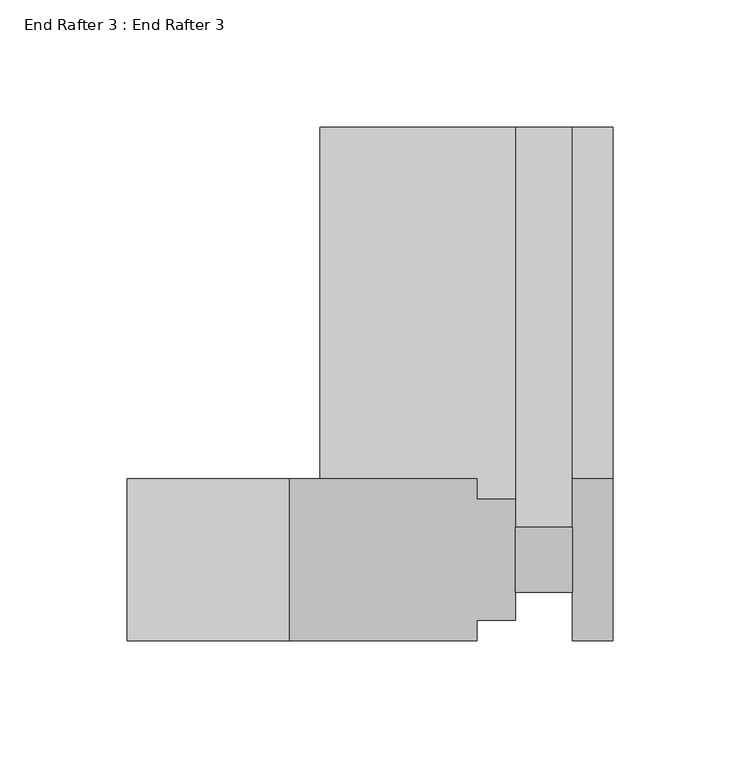
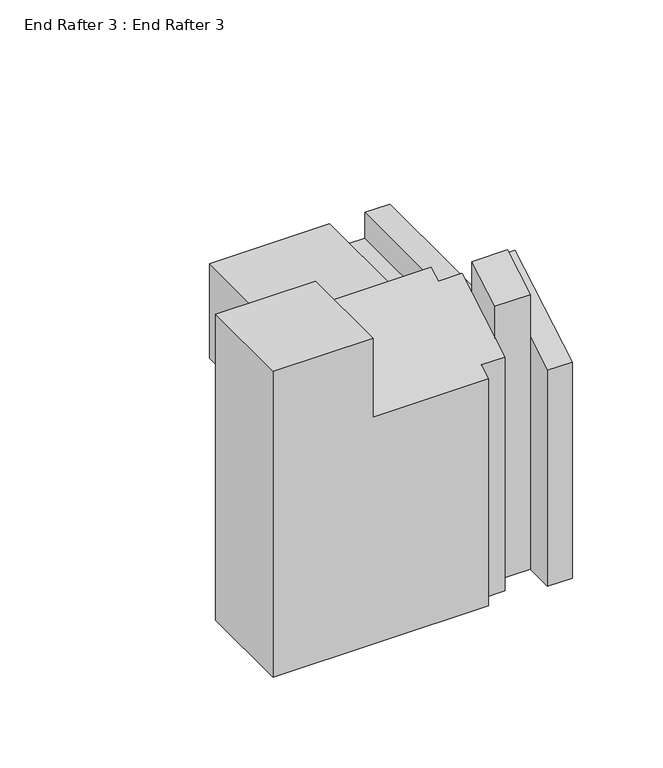
"""IFC4 building model written with IfcOpenShell, lengths in millimetres: proxy geometry, End Rafter 3 : End Rafter 3."""

import ifcopenshell
import ifcopenshell.guid

model = None  # the IFC model being written
_history = None  # IfcOwnerHistory: only IFC2X3 demands one
_inside = {}  # id of a spatial element -> (the spatial element, [elements in it])
_under = {}  # id of a project, library or spatial element -> (it, [spatial elements below it])
_declared = {}  # id of a project -> (the project, [libraries it declares])
_typed = {}  # id of a type object -> (the type object, [elements of that type])
_made_of = {}  # id of a material, layer set ... -> (it, [elements and type objects made of it])


def new_model(schema):
    """Start an empty IFC model of exactly this schema.

    Asked for "IFC4X3", IfcOpenShell would pick the latest addendum, in which some entities
    have other attributes; the version numbers below select the first issue.
    IFC2X3 requires an IfcOwnerHistory on every rooted entity: one is made here for all.
    """
    global model, _history
    if schema == "IFC4X3":
        model = ifcopenshell.file(schema_version=(4, 3, 0, 0))
    else:
        model = ifcopenshell.file(schema=schema)
    _inside.clear()
    _under.clear()
    _declared.clear()
    _typed.clear()
    _made_of.clear()
    _history = None
    if model.schema == "IFC2X3":
        org = make("IfcOrganization", Name="unknown")
        user = make(
            "IfcPersonAndOrganization",
            ThePerson=make("IfcPerson", FamilyName="unknown"),
            TheOrganization=org,
        )
        app = make(
            "IfcApplication",
            ApplicationDeveloper=org,
            Version="unknown",
            ApplicationFullName="unknown",
            ApplicationIdentifier="unknown",
        )
        _history = make(
            "IfcOwnerHistory",
            OwningUser=user,
            OwningApplication=app,
            ChangeAction="ADDED",
            CreationDate=0,
        )
    return model


def make(cls, **values):
    """One entity of the class cls with the attributes given. An attribute that is None is left unset."""
    return model.create_entity(
        cls, **{name: value for name, value in values.items() if value is not None}
    )


def rooted(cls, **values):
    """An entity with a GlobalId (a new one), such as an element, a storey or a relation."""
    return make(cls, GlobalId=ifcopenshell.guid.new(), OwnerHistory=_history, **values)


def si_unit(unit_type, name, prefix=None):
    """IfcSIUnit, for example si_unit("LENGTHUNIT", "METRE", prefix="MILLI")."""
    return make("IfcSIUnit", UnitType=unit_type, Prefix=prefix, Name=name)


def assignment(units):
    """IfcUnitAssignment: the units of a project."""
    return None if units is None else make("IfcUnitAssignment", Units=units)


def point(xyz):
    """IfcCartesianPoint."""
    return None if xyz is None else make("IfcCartesianPoint", Coordinates=xyz)


def direction(xyz):
    """IfcDirection."""
    return None if xyz is None else make("IfcDirection", DirectionRatios=xyz)


def frame(location, z_axis=None, x_axis=None):
    """IfcAxis2Placement3D, a coordinate frame: its origin and axes. An axis left out is left unset."""
    return make(
        "IfcAxis2Placement3D",
        Location=point(location),
        Axis=direction(z_axis),
        RefDirection=direction(x_axis),
    )


def origin():
    """The frame at (0, 0, 0) with its axes left unset."""
    return frame((0.0, 0.0, 0.0))


def place(relative_to, where):
    """IfcLocalPlacement: puts the frame where relative to a parent placement (None: the world)."""
    return make(
        "IfcLocalPlacement", PlacementRelTo=relative_to, RelativePlacement=where
    )


def context(
    kind, dimensions, precision=None, world=None, true_north=None, identifier=None
):
    """IfcGeometricRepresentationContext, for example the 3D "Model" context."""
    return make(
        "IfcGeometricRepresentationContext",
        ContextIdentifier=identifier,
        ContextType=kind,
        CoordinateSpaceDimension=dimensions,
        Precision=precision,
        WorldCoordinateSystem=world,
        TrueNorth=true_north,
    )


def project(units=None, contexts=None):
    """IfcProject with its units and contexts."""
    return rooted(
        "IfcProject",
        Name="project",
        RepresentationContexts=contexts,
        UnitsInContext=assignment(units),
    )


def spatial(cls, under=None, at=None, **own):
    """A site, building, storey or space (cls), placed at a placement, below another one or the project."""
    s = rooted(cls, ObjectPlacement=at, **own)
    if under is not None:
        _under.setdefault(under.id(), (under, []))[1].append(s)
    return s


def faces_of(points, faces, orient=None, outer=None):
    """IfcFace entities. A face is a list of loops; a loop is a list of indices into points, from 0.

    orient and outer hold one flag for each loop. By default every Orientation is true, the
    first loop of a face is its IfcFaceOuterBound and the others are IfcFaceBound.
    """
    made = []
    for i, loops in enumerate(faces):
        bounds = []
        for j, loop in enumerate(loops):
            is_outer = j == 0 if outer is None else outer[i][j]
            bounds.append(
                make(
                    "IfcFaceOuterBound" if is_outer else "IfcFaceBound",
                    Bound=make("IfcPolyLoop", Polygon=[points[k] for k in loop]),
                    Orientation=True if orient is None else orient[i][j],
                )
            )
        made.append(make("IfcFace", Bounds=bounds))
    return made


def faceted_brep(points, faces, orient=None, outer=None, voids=None):
    """IfcFacetedBrep: a solid bounded by flat faces; with voids (closed shells), ...WithVoids."""
    shared = [point(p) for p in points]
    hull = make("IfcClosedShell", CfsFaces=faces_of(shared, faces, orient, outer))
    if voids is None:
        return make("IfcFacetedBrep", Outer=hull)
    return make(
        "IfcFacetedBrepWithVoids",
        Outer=hull,
        Voids=[
            make(cls, CfsFaces=faces_of(shared, fs, o, b)) for cls, fs, o, b in voids
        ],
    )


def shape(context_of_items, identifier, shape_type, items):
    """IfcShapeRepresentation: the items that make up one representation, for example the "Body"."""
    return make(
        "IfcShapeRepresentation",
        ContextOfItems=context_of_items,
        RepresentationIdentifier=identifier,
        RepresentationType=shape_type,
        Items=items,
    )


def source(mapping_origin, context_of_items, identifier, shape_type, items):
    """IfcRepresentationMap: a shape defined once, which mapped items show again and again."""
    return make(
        "IfcRepresentationMap",
        MappingOrigin=mapping_origin,
        MappedRepresentation=shape(context_of_items, identifier, shape_type, items),
    )


def transform(
    local_origin,
    x_axis=None,
    y_axis=None,
    z_axis=None,
    scale=None,
    scale2=None,
    scale3=None,
    uniform=True,
):
    """IfcCartesianTransformationOperator3D, or its non-uniform kind. x_axis, y_axis, z_axis: its Axis1, 2, 3."""
    if uniform:
        return make(
            "IfcCartesianTransformationOperator3D",
            Axis1=direction(x_axis),
            Axis2=direction(y_axis),
            LocalOrigin=point(local_origin),
            Scale=scale,
            Axis3=direction(z_axis),
        )
    return make(
        "IfcCartesianTransformationOperator3DnonUniform",
        Axis1=direction(x_axis),
        Axis2=direction(y_axis),
        LocalOrigin=point(local_origin),
        Scale=scale,
        Axis3=direction(z_axis),
        Scale2=scale2,
        Scale3=scale3,
    )


def mapped(mapping_source, mapping_target):
    """IfcMappedItem: shows the shape of a source again, moved by a transform."""
    return make(
        "IfcMappedItem", MappingSource=mapping_source, MappingTarget=mapping_target
    )


def made_of(thing, what):
    """Note that an element or type object is made of a material, layer set ...; save() writes the relation."""
    if what is not None:
        _made_of.setdefault(what.id(), (what, []))[1].append(thing)
    return thing


def element(
    cls,
    number,
    at=None,
    inside=None,
    cuts=None,
    type_object=None,
    material=None,
    context=None,
    identifier="Body",
    shape_type=None,
    held_by="IfcProductDefinitionShape",
    body=None,
    shapes=None,
    **own,
):
    """One element of the class cls, such as IfcWall. Its Tag is "e" and its number.

    at: its placement. inside: the storey or other place that contains it. cuts: it is an
    opening in that element (IfcRelVoidsElement). A single representation is given by context,
    identifier, shape_type and body (its items); several are given by shapes. held_by: the class
    of the entity that holds the representations. save() writes the other relations.
    """
    e = rooted(cls, Tag="e%d" % number, ObjectPlacement=at, **own)
    if body is not None:
        shapes = [shape(context, identifier, shape_type, body)]
    if shapes is not None:
        e.Representation = make(held_by, Representations=shapes)
    if inside is not None:
        _inside.setdefault(inside.id(), (inside, []))[1].append(e)
    if cuts is not None:
        rooted(
            "IfcRelVoidsElement", RelatingBuildingElement=cuts, RelatedOpeningElement=e
        )
    if type_object is not None:
        _typed.setdefault(type_object.id(), (type_object, []))[1].append(e)
    return made_of(e, material)


def aggregate(whole, parts):
    """IfcRelAggregates: a whole, such as a stair, and the parts it consists of."""
    return rooted("IfcRelAggregates", RelatingObject=whole, RelatedObjects=parts)


def save(model, path):
    """Write the relations noted so far, then the file.

    IfcRelAggregates (storeys below a building ...), IfcRelContainedInSpatialStructure (elements
    in a storey), IfcRelDefinesByType, IfcRelAssociatesMaterial and IfcRelDeclares: one each for
    every whole, place, type object, material and project.
    """
    for whole, parts in _under.values():
        aggregate(whole, parts)
    for where, things in _inside.values():
        rooted(
            "IfcRelContainedInSpatialStructure",
            RelatedElements=things,
            RelatingStructure=where,
        )
    for kind, things in _typed.values():
        rooted("IfcRelDefinesByType", RelatedObjects=things, RelatingType=kind)
    for what, things in _made_of.values():
        rooted("IfcRelAssociatesMaterial", RelatedObjects=things, RelatingMaterial=what)
    for by, libraries in _declared.values():
        rooted("IfcRelDeclares", RelatingContext=by, RelatedDefinitions=libraries)
    model.write(path)


def end_rafter_3_end_rafter_3_ca7d7029(model_context):
    return source(origin(), model_context, "Body", "Brep", [
        faceted_brep([(11932.3339302, -13102.7360585, 1294.4607731), (11932.3339302, -13166.2360585, 1294.4607731), (11995.9020877, -13166.2360585, 1294.4607731), (11995.9020877, -13102.7360585, 1294.4607731), (12069.6717302, -13166.2360585, 1088.3295648), (11932.3339302, -13166.2360585, 1088.3295648), (11932.3339302, -13102.7360585, 1088.3295648), (12069.6717302, -13102.7360585, 1088.3295648), (12069.6717302, -13110.6608585, 1088.3295648), (12084.7339302, -13110.6608585, 1088.3295648), (12084.7339302, -13121.7860585, 1088.3295648), (12107.2129302, -13121.7860585, 1088.3295648), (12107.2129302, -13102.7360585, 1088.3295648), (12123.0625302, -13102.7360585, 1088.3295648), (12123.0625302, -13166.2360585, 1088.3295648), (12107.2129302, -13166.2360585, 1088.3295648), (12107.2129302, -13147.1860585, 1088.3295648), (12084.7339302, -13147.1860585, 1088.3295648), (12084.7339302, -13158.3112585, 1088.3295648), (12069.6717302, -13158.3112585, 1088.3295648), (12069.6717302, -13158.3112585, 1245.7970793), (12069.6717302, -13166.2360585, 1241.2216938), (12084.7339302, -13158.3112585, 1245.7970793), (12084.7339302, -13147.1860585, 1252.2202165), (12107.2129302, -13147.1860585, 1244.8893875), (12107.2129302, -13147.1860585, 1273.3503521), (12084.7339302, -13147.1860585, 1273.3503521), (12107.2129302, -13166.2360585, 1233.8908649), (12123.0625302, -13166.2360585, 1233.8908649), (12123.0625302, -13102.7360585, 1154.585577), (12123.0625302, -12964.734666, 1154.585577), (12123.0625302, -12964.734666, 1218.085577), (12123.0625302, -13102.7360585, 1218.085577), (12123.0625302, -13102.7360585, 1270.552607), (12107.2129302, -13102.7360585, 1218.085577), (12107.2129302, -13102.7360585, 1270.552607), (12107.2129302, -12964.734666, 1218.085577), (12107.2129302, -12964.734666, 1200.623077), (12107.2129302, -13121.7860585, 1200.623077), (12107.2129302, -13121.7860585, 1259.5540844), (12084.7339302, -13121.7860585, 1200.623077), (12084.7339302, -13121.7860585, 1266.8849133), (12084.7339302, -13121.7860585, 1288.0150489), (12107.2129302, -13121.7860585, 1288.0150489), (12084.7339302, -12964.734666, 1200.623077), (12084.7339302, -12964.734666, 1218.085577), (12084.7339302, -13110.6608585, 1218.085577), (12084.7339302, -13110.6608585, 1273.3080505), (12069.6717302, -13110.6608585, 1218.085577), (12069.6717302, -13110.6608585, 1273.3080505), (12069.6717302, -13102.7360585, 1218.085577), (12069.6717302, -13102.7360585, 1277.8834359), (11995.9020877, -13102.7360585, 1277.8834359), (12008.1120766, -13102.7360585, 1218.085577), (12008.1120766, -13102.7360585, 1154.585577), (12069.6717302, -13102.7360585, 1154.585577), (11995.9020877, -13166.2360585, 1241.2216938), (12107.1212766, -12964.734666, 1154.585577), (12107.1212766, -12964.734666, 1172.048077), (12084.6422766, -12964.734666, 1172.048077), (12084.6422766, -12964.734666, 1154.585577), (12008.1120766, -12964.734666, 1154.585577), (12008.1120766, -12964.734666, 1218.085577), (12084.7339302, -13110.6608585, 1154.585577), (12069.6717302, -13110.6608585, 1154.585577), (12107.2129302, -13121.7860585, 1172.048077), (12084.7339302, -13121.7860585, 1172.048077), (12107.2129302, -13102.7360585, 1154.585577)], [[[0, 1, 2, 3]], [[4, 5, 6, 7, 8, 9, 10, 11, 12, 13, 14, 15, 16, 17, 18, 19]], [[4, 19, 20, 21]], [[19, 18, 22, 20]], [[18, 17, 23, 22]], [[17, 16, 24, 25, 26, 23]], [[16, 15, 27, 24]], [[15, 14, 28, 27]], [[14, 13, 29, 30, 31, 32, 33, 28]], [[32, 34, 35, 33]], [[34, 36, 37, 38, 39, 35]], [[38, 40, 41, 42, 43, 39]], [[40, 44, 45, 46, 47, 41]], [[46, 48, 49, 47]], [[48, 50, 51, 49]], [[7, 6, 0, 3, 52, 51, 50, 53, 54, 55]], [[1, 0, 6, 5]], [[5, 4, 21, 56, 2, 1]], [[31, 30, 57, 58, 59, 60, 61, 62, 45, 44, 37, 36]], [[60, 63, 64, 55, 54, 61]], [[58, 65, 66, 59]], [[30, 29, 67, 57]], [[32, 31, 36, 34]], [[38, 37, 44, 40]], [[46, 45, 62, 53, 50, 48]], [[54, 53, 62, 61]], [[13, 12, 67, 29]], [[12, 11, 65, 58, 57, 67]], [[11, 10, 66, 65]], [[10, 9, 63, 60, 59, 66]], [[9, 8, 64, 63]], [[8, 7, 55, 64]], [[39, 24, 27, 28, 33, 35]], [[25, 43, 42, 26]], [[23, 41, 47, 49, 51, 52, 56, 21, 20, 22]], [[56, 52, 3, 2]], [[24, 39, 43, 25]], [[26, 42, 41, 23]]]),
    ])


if __name__ == "__main__":
    model = new_model("IFC4")
    model_context = context("Model", 3, world=origin())
    ifc_project = project(units=[si_unit("LENGTHUNIT", "METRE", prefix="MILLI")], contexts=[model_context])
    site = spatial("IfcSite", under=ifc_project)
    building = spatial("IfcBuilding", under=site)
    placement = place(None, origin())
    end_rafter_3_end_rafter_3_shape = end_rafter_3_end_rafter_3_ca7d7029(model_context)
    element("IfcBuildingElementProxy", 1, Name="End Rafter 3 : End Rafter 3", ObjectType="End Rafter 3 : End Rafter 3", at=placement, inside=building, context=model_context, shape_type="MappedRepresentation", body=[
        mapped(end_rafter_3_end_rafter_3_shape, transform((0.0, 0.0, 0.0), x_axis=(1.0, 0.0, 0.0), y_axis=(0.0, 1.0, 0.0), z_axis=(0.0, 0.0, 1.0))),
    ])
    save(model, "model.ifc")
